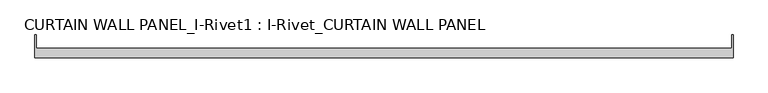
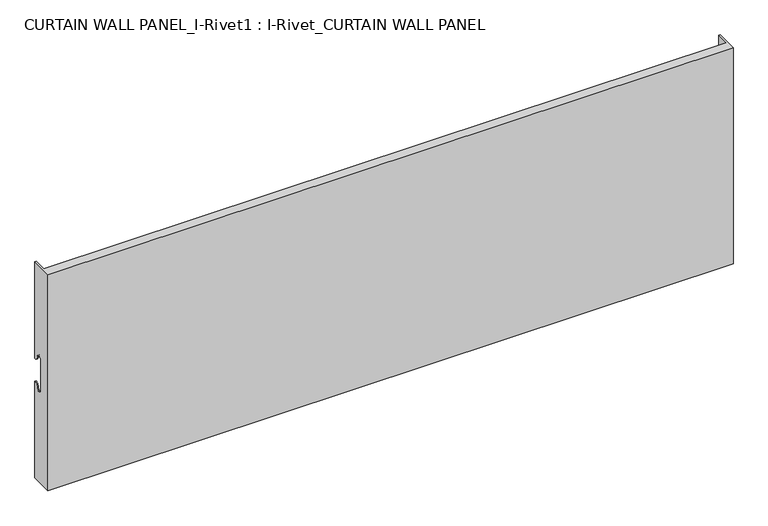
"""IFC4 building model written with IfcOpenShell, lengths in millimetres: plate geometry, CURTAIN WALL PANEL_I-Rivet1 : I-Rivet_CURTAIN WALL PANEL."""

from ifc_helpers import new_model, si_unit, frame, origin, place, context, project, spatial, polyline, circle_curve, source, transform, mapped, element, save
from ifc_brep_helpers import plane_surface, cylinder_surface, revolved_surface, advanced_brep


def curtain_wall_panel_i_rivet1_i_rivet_curtain_wall_panel_b28410b8(model_context):
    return source(origin(), model_context, "Body", "AdvancedBrep", [
        advanced_brep(
        [(-600.0, -85.0, 400.0), (600.0, -85.0, 400.0), (600.0, -45.3384103, 400.0), (598.0, -45.3384103, 400.0), (598.0, -68.0, 400.0), (-598.0, -68.0, 400.0), (-598.0, -45.3384103, 400.0), (-600.0, -45.3384103, 400.0), (-600.0, -85.0, 0.0), (-600.0, -45.3384103, 0.0), (-598.0, -45.3384103, 0.0), (-598.0, -68.0, 0.0), (598.0, -68.0, 0.0), (598.0, -45.3384103, 0.0), (600.0, -45.3384103, 0.0), (600.0, -85.0, 0.0), (-600.0, -45.3384103, 221.0), (-600.0, -52.3384103, 228.0), (-600.0, -63.3384103, 228.0), (-600.0, -63.3384103, 172.0), (-600.0, -52.3384103, 172.0), (-600.0, -45.3384103, 179.0), (-598.0, -45.3384103, 179.0), (-598.0, -45.3384103, 221.0), (598.0, -45.3384103, 179.0), (600.0, -45.3384103, 179.0), (600.0, -45.3384103, 221.0), (598.0, -45.3384103, 221.0), (600.0, -52.3384103, 172.0), (600.0, -63.3384103, 172.0), (600.0, -63.3384103, 228.0), (600.0, -52.3384103, 228.0), (-598.0, -52.3384103, 172.0), (-598.0, -63.3384103, 172.0), (-598.0, -63.3384103, 228.0), (-598.0, -52.3384103, 228.0), (598.0, -52.3384103, 228.0), (598.0, -63.3384103, 228.0), (598.0, -63.3384103, 172.0), (598.0, -52.3384103, 172.0)],
        [
            (0, 1),
            (1, 2),
            (2, 3),
            (3, 4),
            (4, 5),
            (5, 6),
            (6, 7),
            (7, 0),
            (8, 9),
            (9, 10),
            (10, 11),
            (11, 12),
            (12, 13),
            (13, 14),
            (14, 15),
            (15, 8),
            (7, 16),
            (16, 17, circle_curve(frame((-600.0, -45.3384103, 228.0), z_axis=(-1.0, 0.0, 0.0), x_axis=(0.0, -1.0, 0.0)), 7.0)),
            (17, 18, circle_curve(frame((-600.0, -57.8384103, 228.0), z_axis=(1.0, 0.0, 0.0), x_axis=(0.0, -1.0, 0.0)), 5.5)),
            (18, 19),
            (19, 20, circle_curve(frame((-600.0, -57.8384103, 172.0), z_axis=(1.0, 0.0, 0.0), x_axis=(0.0, -1.0, 0.0)), 5.5)),
            (20, 21, circle_curve(frame((-600.0, -45.3384103, 172.0), z_axis=(-1.0, 0.0, 0.0), x_axis=(0.0, -1.0, 0.0)), 7.0)),
            (21, 9),
            (8, 0),
            (21, 22),
            (22, 10),
            (6, 23),
            (23, 16),
            (13, 24),
            (24, 25),
            (25, 14),
            (2, 26),
            (26, 27),
            (27, 3),
            (1, 15),
            (25, 28, circle_curve(frame((600.0, -45.3384103, 172.0), z_axis=(1.0, 0.0, 0.0), x_axis=(0.0, -1.0, 0.0)), 7.0)),
            (28, 29, circle_curve(frame((600.0, -57.8384103, 172.0), z_axis=(-1.0, 0.0, 0.0), x_axis=(0.0, -1.0, 0.0)), 5.5)),
            (29, 30),
            (30, 31, circle_curve(frame((600.0, -57.8384103, 228.0), z_axis=(-1.0, 0.0, 0.0), x_axis=(0.0, -1.0, 0.0)), 5.5)),
            (31, 26, circle_curve(frame((600.0, -45.3384103, 228.0), z_axis=(1.0, 0.0, 0.0), x_axis=(0.0, -1.0, 0.0)), 7.0)),
            (5, 11),
            (22, 32, circle_curve(frame((-598.0, -45.3384103, 172.0), z_axis=(1.0, 0.0, 0.0), x_axis=(0.0, -1.0, 0.0)), 7.0)),
            (32, 33, circle_curve(frame((-598.0, -57.8384103, 172.0), z_axis=(-1.0, 0.0, 0.0), x_axis=(0.0, -1.0, 0.0)), 5.5)),
            (33, 34),
            (34, 35, circle_curve(frame((-598.0, -57.8384103, 228.0), z_axis=(-1.0, 0.0, 0.0), x_axis=(0.0, -1.0, 0.0)), 5.5)),
            (35, 23, circle_curve(frame((-598.0, -45.3384103, 228.0), z_axis=(1.0, 0.0, 0.0), x_axis=(0.0, -1.0, 0.0)), 7.0)),
            (27, 36, circle_curve(frame((598.0, -45.3384103, 228.0), z_axis=(-1.0, 0.0, 0.0), x_axis=(0.0, -1.0, 0.0)), 7.0)),
            (36, 37, circle_curve(frame((598.0, -57.8384103, 228.0), z_axis=(1.0, 0.0, 0.0), x_axis=(0.0, -1.0, 0.0)), 5.5)),
            (37, 38),
            (38, 39, circle_curve(frame((598.0, -57.8384103, 172.0), z_axis=(1.0, 0.0, 0.0), x_axis=(0.0, -1.0, 0.0)), 5.5)),
            (39, 24, circle_curve(frame((598.0, -45.3384103, 172.0), z_axis=(-1.0, 0.0, 0.0), x_axis=(0.0, -1.0, 0.0)), 7.0)),
            (12, 4),
            (29, 38),
            (37, 30),
            (33, 19),
            (18, 34),
            (28, 39),
            (32, 20),
            (35, 17),
            (31, 36),
        ],
        [
            plane_surface(frame((-600.0, -45.3384103, 400.0), z_axis=(0.0, 0.0, 1.0), x_axis=(0.0, 1.0, 0.0))),
            plane_surface(frame((-600.0, -45.3384103, 0.0), z_axis=(0.0, 0.0, -1.0), x_axis=(0.0, -1.0, 0.0))),
            plane_surface(frame((-600.0, -85.0, 400.0), z_axis=(-1.0, 0.0, 0.0), x_axis=(0.0, 0.0, -1.0))),
            plane_surface(frame((-600.0, -45.3384103, 400.0), z_axis=(0.0, 1.0, 0.0), x_axis=(0.0, 0.0, -1.0))),
            plane_surface(frame((598.0, -45.3384103, 400.0), z_axis=(0.0, 1.0, 0.0), x_axis=(0.0, 0.0, -1.0))),
            plane_surface(frame((600.0, -45.3384103, 400.0), z_axis=(1.0, 0.0, 0.0), x_axis=(0.0, 0.0, -1.0))),
            plane_surface(frame((600.0, -85.0, 400.0), z_axis=(0.0, -1.0, 0.0), x_axis=(0.0, 0.0, -1.0))),
            plane_surface(frame((-598.0, -45.3384103, 400.0), z_axis=(1.0, 0.0, 0.0), x_axis=(0.0, 0.0, -1.0))),
            plane_surface(frame((598.0, -68.0, 400.0), z_axis=(-1.0, 0.0, 0.0), x_axis=(0.0, 0.0, -1.0))),
            plane_surface(frame((-599.0, -68.0, 400.0), z_axis=(0.0, 1.0, 0.0), x_axis=(0.0, 0.0, -1.0))),
            plane_surface(frame((-600.0, -63.3384103, 228.0), z_axis=(0.0, 1.0, 0.0), x_axis=(1.0, 0.0, 0.0))),
            revolved_surface(polyline([(598.0, -63.3384103, 172.0), (600.0, -63.3384103, 172.0)]), (-600.0, -57.8384103, 172.0), (-1.0, 0.0, 0.0)),
            revolved_surface(polyline([(-600.0, -63.3384103, 172.0), (-598.0, -63.3384103, 172.0)]), (-600.0, -57.8384103, 172.0), (-1.0, 0.0, 0.0)),
            cylinder_surface(frame((-600.0, -45.3384103, 172.0), z_axis=(1.0, 0.0, 0.0), x_axis=(0.0, -1.0, 0.0)), 7.0),
            cylinder_surface(frame((-600.0, -45.3384103, 228.0), z_axis=(1.0, 0.0, 0.0), x_axis=(0.0, -1.0, 0.0)), 7.0),
            revolved_surface(polyline([(-600.0, -63.3384103, 228.0), (-598.0, -63.3384103, 228.0)]), (-600.0, -57.8384103, 228.0), (-1.0, 0.0, 0.0)),
            revolved_surface(polyline([(598.0, -63.3384103, 228.0), (600.0, -63.3384103, 228.0)]), (-600.0, -57.8384103, 228.0), (-1.0, 0.0, 0.0)),
        ],
        [
            (0, [[1, 2, 3, 4, 5, 6, 7, 8]]),
            (1, [[9, 10, 11, 12, 13, 14, 15, 16]]),
            (2, [[17, 18, 19, 20, 21, 22, 23, -9, 24, -8]]),
            (3, [[-23, 25, 26, -10]]),
            (3, [[27, 28, -17, -7]]),
            (4, [[29, 30, 31, -14]]),
            (4, [[32, 33, 34, -3]]),
            (5, [[35, -15, -31, 36, 37, 38, 39, 40, -32, -2]]),
            (6, [[-24, -16, -35, -1]]),
            (7, [[41, -11, -26, 42, 43, 44, 45, 46, -27, -6]]),
            (8, [[-34, 47, 48, 49, 50, 51, -29, -13, 52, -4]]),
            (9, [[-52, -12, -41, -5]]),
            (10, [[-38, 53, -49, 54]]),
            (10, [[-44, 55, -20, 56]]),
            (11, [[-37, 57, -50, -53]]),
            (12, [[-43, 58, -21, -55]]),
            (13, [[-36, -30, -51, -57]]),
            (13, [[-42, -25, -22, -58]]),
            (14, [[-18, -28, -46, 59]]),
            (14, [[-47, -33, -40, 60]]),
            (15, [[-19, -59, -45, -56]]),
            (16, [[-48, -60, -39, -54]]),
        ],
    ),
    ])


if __name__ == "__main__":
    model = new_model("IFC4")
    model_context = context("Model", 3, world=origin())
    ifc_project = project(units=[si_unit("LENGTHUNIT", "METRE", prefix="MILLI")], contexts=[model_context])
    site = spatial("IfcSite", under=ifc_project)
    building = spatial("IfcBuilding", under=site)
    placement = place(None, origin())
    curtain_wall_panel_i_rivet1_i_rivet_curtain_wall_panel_shape = curtain_wall_panel_i_rivet1_i_rivet_curtain_wall_panel_b28410b8(model_context)
    element("IfcPlate", 1, ObjectType="CURTAIN WALL PANEL_I-Rivet1 : I-Rivet_CURTAIN WALL PANEL", at=placement, inside=building, context=model_context, shape_type="MappedRepresentation", body=[
        mapped(curtain_wall_panel_i_rivet1_i_rivet_curtain_wall_panel_shape, transform((0.0, 0.0, 0.0), x_axis=(1.0, 0.0, 0.0), y_axis=(0.0, 1.0, 0.0), z_axis=(0.0, 0.0, 1.0))),
    ])
    save(model, "model.ifc")
